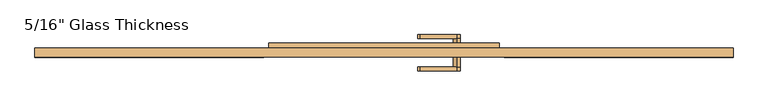
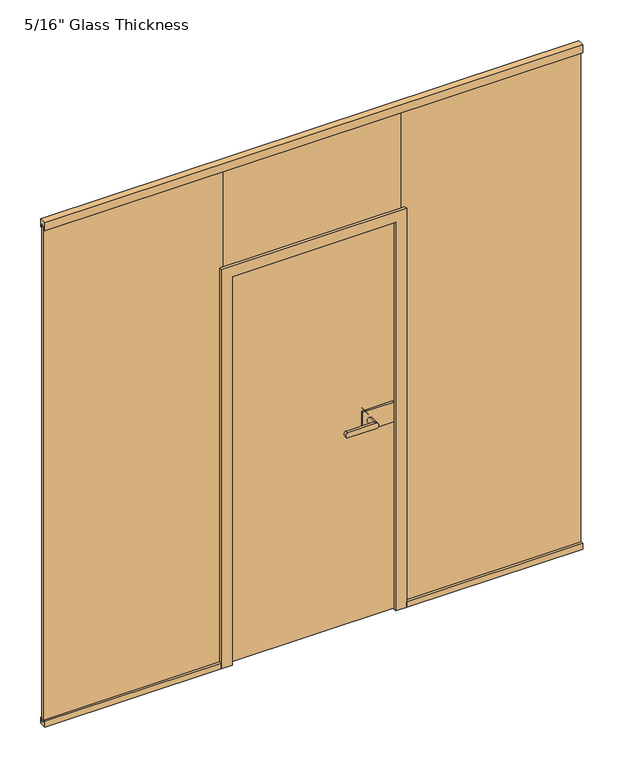
"""IFC4 building model written with IfcOpenShell, lengths in millimetres: door geometry."""

from ifc_helpers import new_model, si_unit, point, frame, frame_2d, origin, place, context, project, spatial, polyline, circle_curve, ellipse_curve, trimmed, segment, composite_curve, outline, extrude, faceted_brep, source, transform, mapped, element, save
from ifc_brep_helpers import plane_surface, cylinder_surface, extruded_surface, advanced_brep


def door_7a054d78(model_context):
    return source(origin(), model_context, "Body", "SolidModel", [
        extrude(outline(composite_curve([segment(trimmed(circle_curve(frame_2d((910.0, 242.0)), 11.9886308), [point((921.9886308, 242.0))], [point((898.0113692, 242.0))], False, "CARTESIAN"), True, "CONTINUOUS"), segment(trimmed(circle_curve(frame_2d((910.0, 242.0)), 11.9886308), [point((898.0113692, 242.0))], [point((921.9886308, 242.0))], False, "CARTESIAN"), True, "CONTINUOUS")], self_intersect=False)), frame((0.0, -54.56, 0.0), z_axis=(0.0, 1.0, 0.0), x_axis=(0.0, 0.0, 1.0)), (0.0, 0.0, 1.0), 33.5),
        advanced_brep(
        [(242.0, -54.56, 921.9886308), (242.0, -54.56, 898.0113692), (120.3382074, -54.56, 898.0113692), (120.3382074, -54.56, 921.9886308), (242.0, -67.06, 921.9886308), (120.3382074, -67.06, 921.9886308), (120.3382074, -67.06, 898.0113692), (242.0, -67.06, 898.0113692)],
        [
            (0, 1, circle_curve(frame((242.0, -54.56, 910.0), z_axis=(0.0, 1.0, 0.0), x_axis=(0.0, 0.0, -1.0)), 11.9886308)),
            (1, 2),
            (2, 3, ellipse_curve(frame((120.3382074, -54.56, 910.0), z_axis=(0.0, 1.0, 0.0), x_axis=(0.0, 0.0, 1.0)), 11.9886308, 7.9050795)),
            (3, 0),
            (4, 5),
            (5, 6, ellipse_curve(frame((120.3382074, -67.06, 910.0), z_axis=(0.0, -1.0, 0.0), x_axis=(0.0, 0.0, 1.0)), 11.9886308, 7.9050795)),
            (6, 7),
            (7, 4, circle_curve(frame((242.0, -67.06, 910.0), z_axis=(0.0, -1.0, 0.0), x_axis=(0.0, 0.0, -1.0)), 11.9886308)),
            (3, 5),
            (4, 0),
            (2, 6),
            (1, 7),
        ],
        [
            plane_surface(frame((120.3382074, -54.56, 921.9886308), z_axis=(0.0, 1.0, 0.0), x_axis=(-1.0, 0.0, 0.0))),
            plane_surface(frame((120.3382074, -67.06, 921.9886308), z_axis=(0.0, -1.0, 0.0), x_axis=(1.0, 0.0, 0.0))),
            plane_surface(frame((242.0, -54.56, 921.9886308), z_axis=(0.0, 0.0, 1.0), x_axis=(0.0, -1.0, 0.0))),
            extruded_surface(trimmed(ellipse_curve(frame((120.3382074, -67.06, 910.0), z_axis=(0.0, -1.0, 0.0), x_axis=(0.0, 0.0, 1.0)), 11.9886308, 7.9050795), [point((120.3382074, -67.06, 921.9886308))], [point((120.3382074, -67.06, 898.0113692))], True, "CARTESIAN"), (0.0, -12.5, 0.0), 12.5),
            plane_surface(frame((120.3382074, -54.56, 898.0113692), z_axis=(0.0, 0.0, -1.0), x_axis=(0.0, -1.0, 0.0))),
            cylinder_surface(frame((242.0, -67.06, 910.0), z_axis=(0.0, 1.0, 0.0), x_axis=(0.0, 0.0, -1.0)), 11.9886308),
        ],
        [
            (0, [[1, 2, 3, 4]]),
            (1, [[5, 6, 7, 8]]),
            (2, [[9, -5, 10, -4]]),
            (3, [[11, -6, -9, -3]]),
            (4, [[12, -7, -11, -2]]),
            (5, [[-10, -8, -12, -1]]),
        ],
    ),
        extrude(outline(polyline([(346.0, -11.06), (346.0, -21.06), (212.0, -21.06), (212.0, -11.06), (346.0, -11.06)])), frame((0.0, 0.0, 865.0), z_axis=(0.0, 0.0, 1.0), x_axis=(1.0, 0.0, 0.0)), (0.0, 0.0, 1.0), 90.0),
        extrude(outline(polyline([(362.0, 6.94), (362.0, -3.06), (212.0, -3.06), (212.0, 6.94), (362.0, 6.94)])), frame((0.0, 0.0, 865.0), z_axis=(0.0, 0.0, 1.0), x_axis=(1.0, 0.0, 0.0)), (0.0, 0.0, 1.0), 90.0),
        advanced_brep(
        [(242.0, 6.94, 921.9886308), (242.0, 6.94, 898.0113692), (242.0, 40.4398825, 921.9886308), (242.0, 40.4398825, 898.0113692), (242.0, 52.9399695, 921.9886308), (242.0, 52.9399695, 898.0113692), (120.3382074, 52.9399695, 898.0113692), (120.3382074, 52.9399695, 921.9886308), (120.3382074, 40.4398825, 921.9886308), (120.3382074, 40.4398825, 898.0113692)],
        [
            (0, 1, circle_curve(frame((242.0, 6.94, 910.0), z_axis=(0.0, -1.0, 0.0), x_axis=(0.0, 0.0, -1.0)), 11.9886308)),
            (1, 0, circle_curve(frame((242.0, 6.94, 910.0), z_axis=(0.0, -1.0, 0.0), x_axis=(0.0, 0.0, -1.0)), 11.9886308)),
            (0, 2),
            (2, 3, circle_curve(frame((242.0, 40.4398825, 910.0), z_axis=(0.0, -1.0, 0.0), x_axis=(0.0, 0.0, -1.0)), 11.9886308)),
            (3, 1),
            (3, 2, circle_curve(frame((242.0, 40.4398825, 910.0), z_axis=(0.0, -1.0, 0.0), x_axis=(0.0, 0.0, -1.0)), 11.9886308)),
            (4, 5, circle_curve(frame((242.0, 52.9399695, 910.0), z_axis=(0.0, 1.0, 0.0), x_axis=(0.0, 0.0, -1.0)), 11.9886308)),
            (5, 6),
            (6, 7, ellipse_curve(frame((120.3382074, 52.9399695, 910.0), z_axis=(0.0, 1.0, 0.0), x_axis=(0.0, 0.0, 1.0)), 11.9886308, 7.9050795)),
            (7, 4),
            (2, 8),
            (8, 9, ellipse_curve(frame((120.3382074, 40.4398825, 910.0), z_axis=(0.0, -1.0, 0.0), x_axis=(0.0, 0.0, 1.0)), 11.9886308, 7.9050795)),
            (9, 3),
            (7, 8),
            (2, 4),
            (6, 9),
            (5, 3),
        ],
        [
            plane_surface(frame((242.0, 6.94, 898.0113692), z_axis=(0.0, -1.0, 0.0), x_axis=(-1.0, 0.0, 0.0))),
            cylinder_surface(frame((242.0, 6.94, 910.0), z_axis=(0.0, 1.0, 0.0), x_axis=(0.0, 0.0, -1.0)), 11.9886308),
            plane_surface(frame((120.3382074, 52.9399695, 921.9886308), z_axis=(0.0, 1.0, 0.0), x_axis=(-1.0, 0.0, 0.0))),
            plane_surface(frame((120.3382074, 40.4398825, 921.9886308), z_axis=(0.0, -1.0, 0.0), x_axis=(1.0, 0.0, 0.0))),
            plane_surface(frame((242.0, 52.9399695, 921.9886308), z_axis=(0.0, 0.0, 1.0), x_axis=(0.0, -1.0, 0.0))),
            extruded_surface(trimmed(ellipse_curve(frame((120.3382074, 40.4398825, 910.0), z_axis=(0.0, -1.0, 0.0), x_axis=(0.0, 0.0, 1.0)), 11.9886308, 7.9050795), [point((120.3382074, 40.4398825, 921.9886308))], [point((120.3382074, 40.4398825, 898.0113692))], True, "CARTESIAN"), (0.0, -12.500087000000004, 0.0), 12.500087000000004),
            plane_surface(frame((120.3382074, 52.9399695, 898.0113692), z_axis=(0.0, 0.0, -1.0), x_axis=(0.0, -1.0, 0.0))),
            cylinder_surface(frame((242.0, 40.4398825, 910.0), z_axis=(0.0, 1.0, 0.0), x_axis=(0.0, 0.0, -1.0)), 11.9886308),
        ],
        [
            (0, [[1, 2]]),
            (1, [[3, 4, 5, -1]]),
            (1, [[-5, 6, -3, -2]]),
            (2, [[7, 8, 9, 10]]),
            (3, [[-4, 11, 12, 13]]),
            (4, [[14, -11, 15, -10]]),
            (5, [[16, -12, -14, -9]]),
            (6, [[17, -13, -16, -8]]),
            (7, [[-15, -6, -17, -7]]),
        ],
    ),
        extrude(outline(polyline([(382.0, 0.0), (382.0, -8.0), (-382.0, -8.0), (-382.0, 0.0), (382.0, 0.0)])), frame((0.0, 0.0, 1807.2), z_axis=(0.0, 0.0, 1.0), x_axis=(1.0, 0.0, 0.0)), (0.0, 0.0, 1.0), 472.8),
        extrude(outline(polyline([(1160.5, 0.0), (1160.5, -8.0), (386.0, -8.0), (386.0, 0.0), (1160.5, 0.0)])), frame((0.0, 0.0, 13.0), z_axis=(0.0, 0.0, 1.0), x_axis=(1.0, 0.0, 0.0)), (0.0, 0.0, 1.0), 2267.0),
        extrude(outline(polyline([(-22.06, 0.0), (-22.06, 26.0), (-12.0, 26.0), (-12.0, 13.0), (0.0, 13.0), (0.0, 26.0), (7.94, 26.0), (7.94, 0.0), (-22.06, 0.0)])), frame((400.0, 0.0, 0.0), z_axis=(1.0, 0.0, 0.0), x_axis=(0.0, 1.0, 0.0)), (0.0, 0.0, 1.0), 760.5),
        extrude(outline(polyline([(-22.06, 2300.0), (7.94, 2300.0), (7.94, 2265.0), (0.0, 2265.0), (0.0, 2280.0), (-12.0, 2280.0), (-12.0, 2265.0), (-22.06, 2265.0), (-22.06, 2300.0)])), frame((-1160.5, 0.0, 0.0), z_axis=(1.0, 0.0, 0.0), x_axis=(0.0, 1.0, 0.0)), (0.0, 0.0, 1.0), 2321.0),
        extrude(outline(polyline([(-22.06, 0.0), (-22.06, 26.0), (-12.0, 26.0), (-12.0, 13.0), (0.0, 13.0), (0.0, 26.0), (7.94, 26.0), (7.94, 0.0), (-22.06, 0.0)])), frame((-1160.5, 0.0, 0.0), z_axis=(1.0, 0.0, 0.0), x_axis=(0.0, 1.0, 0.0)), (0.0, 0.0, 1.0), 760.5),
        extrude(outline(polyline([(-1160.5, 0.0), (-386.0, 0.0), (-386.0, -8.0), (-1160.5, -8.0), (-1160.5, 0.0)])), frame((0.0, 0.0, 13.0), z_axis=(0.0, 0.0, 1.0), x_axis=(1.0, 0.0, 0.0)), (0.0, 0.0, 1.0), 2267.0),
        faceted_brep([(-365.9, -11.06, 0.0), (-353.0, -11.06, 0.0), (-353.0, -22.06, 0.0), (-400.0, -22.06, 0.0), (-400.0, -8.0, 0.0), (-386.0, -8.0, 0.0), (-386.0, 0.0, 0.0), (-400.0, 0.0, 0.0), (-400.0, 7.94, 0.0), (-383.0, 7.94, 0.0), (-383.0, 25.94, 0.0), (-365.9, 25.94, 0.0), (365.9, -11.06, 0.0), (365.9, 25.94, 0.0), (383.0, 25.94, 0.0), (383.0, 7.94, 0.0), (400.0, 7.94, 0.0), (400.0, 0.0, 0.0), (386.0, 0.0, 0.0), (386.0, -8.0, 0.0), (400.0, -8.0, 0.0), (400.0, -22.06, 0.0), (353.0, -22.06, 0.0), (353.0, -11.06, 0.0), (353.0, -22.06, 1773.0), (353.0, -11.06, 1773.0), (400.0, -8.0, 1820.0), (400.0, -22.06, 1820.0), (386.0, 0.0, 1806.0), (386.0, -8.0, 1806.0), (400.0, 7.94, 1820.0), (400.0, 0.0, 1820.0), (383.0, 25.94, 1803.0), (383.0, 7.94, 1803.0), (365.9, -11.06, 1785.9), (365.9, 25.94, 1785.9), (-365.9, -11.06, 1785.9), (-353.0, -11.06, 1773.0), (-353.0, -22.06, 1773.0), (-400.0, -22.06, 1820.0), (-400.0, -8.0, 1820.0), (-386.0, -8.0, 1806.0), (-386.0, 0.0, 1806.0), (-400.0, 0.0, 1820.0), (-400.0, 7.94, 1820.0), (-383.0, 7.94, 1803.0), (-383.0, 25.94, 1803.0), (-365.9, 25.94, 1785.9)], [[[0, 1, 2, 3, 4, 5, 6, 7, 8, 9, 10, 11]], [[12, 13, 14, 15, 16, 17, 18, 19, 20, 21, 22, 23]], [[24, 25, 23, 22]], [[26, 27, 21, 20]], [[28, 29, 19, 18]], [[30, 31, 17, 16]], [[32, 33, 15, 14]], [[34, 35, 13, 12]], [[1, 0, 36, 34, 12, 23, 25, 37]], [[2, 1, 37, 38]], [[3, 2, 38, 24, 22, 21, 27, 39]], [[4, 3, 39, 40]], [[5, 4, 40, 26, 20, 19, 29, 41]], [[6, 5, 41, 42]], [[7, 6, 42, 28, 18, 17, 31, 43]], [[8, 7, 43, 44]], [[9, 8, 44, 30, 16, 15, 33, 45]], [[10, 9, 45, 46]], [[11, 10, 46, 32, 14, 13, 35, 47]], [[0, 11, 47, 36]], [[38, 37, 25, 24]], [[40, 39, 27, 26]], [[42, 41, 29, 28]], [[44, 43, 31, 30]], [[46, 45, 33, 32]], [[36, 47, 35, 34]]]),
        extrude(outline(polyline([(361.0, -3.06), (361.0, -11.06), (-362.0, -11.06), (-362.0, -3.06), (361.0, -3.06)])), frame((0.0, 0.0, 7.0), z_axis=(0.0, 0.0, 1.0), x_axis=(1.0, 0.0, 0.0)), (0.0, 0.0, 1.0), 1775.0),
    ])


if __name__ == "__main__":
    model = new_model("IFC4")
    model_context = context("Model", 3, world=origin())
    ifc_project = project(units=[si_unit("LENGTHUNIT", "METRE", prefix="MILLI")], contexts=[model_context])
    site = spatial("IfcSite", under=ifc_project)
    building = spatial("IfcBuilding", under=site)
    placement = place(None, origin())
    door_shape = door_7a054d78(model_context)
    element("IfcDoor", 1, ObjectType="5/16\" Glass Thickness", at=placement, inside=building, context=model_context, shape_type="MappedRepresentation", body=[
        mapped(door_shape, transform((0.0, 0.0, 0.0), x_axis=(1.0, 0.0, 0.0), y_axis=(0.0, 1.0, 0.0), z_axis=(0.0, 0.0, 1.0))),
    ])
    save(model, "model.ifc")
